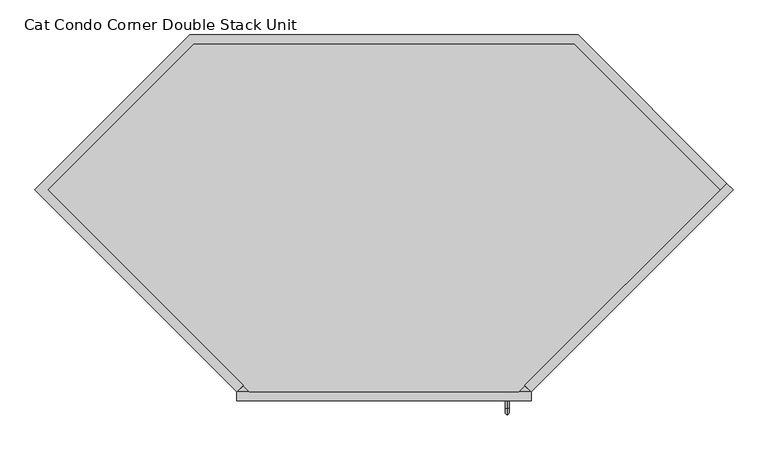
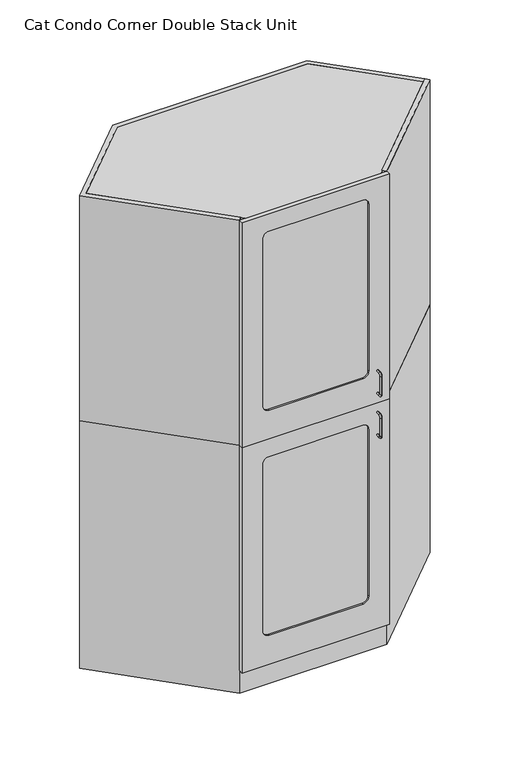
"""IFC4 building model written with IfcOpenShell, lengths in millimetres: proxy geometry, Cat Condo Corner Double Stack Unit."""

from ifc_helpers import new_model, si_unit, point, frame, frame_2d, origin, origin_with_axes, place, context, project, spatial, polyline, circle_curve, ellipse_curve, trimmed, segment, composite_curve, outline, extrude, faceted_brep, source, transform, mapped, element, save
from ifc_brep_helpers import plane_surface, cylinder_surface, revolved_surface, advanced_brep


def cat_condo_corner_double_stack_unit_b9859ac3(model_context):
    return source(origin(), model_context, "Body", "SolidModel", [
        advanced_brep(
        [(567.1128423, -19.05, 1256.5493154), (567.1128423, -19.05, 1264.4006846), (567.1128423, -35.2117768, 1256.5493154), (567.1128423, -35.2117768, 1264.4006846), (567.1128423, -48.3756846, 1251.2367768), (567.1128423, -40.5243154, 1251.2367768), (567.1128423, -40.5243154, 1168.1132232), (567.1128423, -48.3756846, 1168.1132232), (567.1128423, -35.2117768, 1154.9493154), (567.1128423, -35.2117768, 1162.8006846), (567.1128423, -19.05, 1162.8006846), (567.1128423, -19.05, 1154.9493154)],
        [
            (0, 1, circle_curve(frame((567.1128423, -19.05, 1260.475), z_axis=(0.0, 1.0, 0.0), x_axis=(0.0, 0.0, 1.0)), 3.9256846)),
            (1, 0, circle_curve(frame((567.1128423, -19.05, 1260.475), z_axis=(0.0, 1.0, 0.0), x_axis=(0.0, 0.0, 1.0)), 3.9256846)),
            (0, 2),
            (2, 3, circle_curve(frame((567.1128423, -35.2117768, 1260.475), z_axis=(0.0, 1.0, 0.0), x_axis=(0.0, 0.0, 1.0)), 3.9256846)),
            (3, 1),
            (3, 2, circle_curve(frame((567.1128423, -35.2117768, 1260.475), z_axis=(0.0, 1.0, 0.0), x_axis=(0.0, 0.0, 1.0)), 3.9256846)),
            (4, 3, circle_curve(frame((567.1128423, -35.2117768, 1251.2367768), z_axis=(-1.0, 0.0, 0.0), x_axis=(0.0, 0.0, 1.0)), 13.1639078)),
            (2, 5, circle_curve(frame((567.1128423, -35.2117768, 1251.2367768), z_axis=(1.0, 0.0, 0.0), x_axis=(0.0, 0.0, 1.0)), 5.3125387)),
            (5, 4, circle_curve(frame((567.1128423, -44.45, 1251.2367768), z_axis=(0.0, 0.0, 1.0), x_axis=(0.0, -1.0, 0.0)), 3.9256846)),
            (4, 5, circle_curve(frame((567.1128423, -44.45, 1251.2367768), z_axis=(0.0, 0.0, 1.0), x_axis=(0.0, -1.0, 0.0)), 3.9256846)),
            (5, 6),
            (6, 7, circle_curve(frame((567.1128423, -44.45, 1168.1132232), z_axis=(0.0, 0.0, 1.0), x_axis=(0.0, -1.0, 0.0)), 3.9256846)),
            (7, 4),
            (7, 6, circle_curve(frame((567.1128423, -44.45, 1168.1132232), z_axis=(0.0, 0.0, 1.0), x_axis=(0.0, -1.0, 0.0)), 3.9256846)),
            (8, 7, circle_curve(frame((567.1128423, -35.2117768, 1168.1132232), z_axis=(-1.0, 0.0, 0.0), x_axis=(0.0, -1.0, 0.0)), 13.1639078)),
            (6, 9, circle_curve(frame((567.1128423, -35.2117768, 1168.1132232), z_axis=(1.0, 0.0, 0.0), x_axis=(0.0, -1.0, 0.0)), 5.3125387)),
            (9, 8, circle_curve(frame((567.1128423, -35.2117768, 1158.875), z_axis=(0.0, -1.0, 0.0), x_axis=(0.0, 0.0, -1.0)), 3.9256846)),
            (8, 9, circle_curve(frame((567.1128423, -35.2117768, 1158.875), z_axis=(0.0, -1.0, 0.0), x_axis=(0.0, 0.0, -1.0)), 3.9256846)),
            (10, 11, circle_curve(frame((567.1128423, -19.05, 1158.875), z_axis=(0.0, 1.0, 0.0), x_axis=(0.0, 0.0, -1.0)), 3.9256846)),
            (11, 10, circle_curve(frame((567.1128423, -19.05, 1158.875), z_axis=(0.0, 1.0, 0.0), x_axis=(0.0, 0.0, -1.0)), 3.9256846)),
            (9, 10),
            (11, 8),
        ],
        [
            plane_surface(frame((567.1128423, -19.05, 1260.475), z_axis=(0.0, 1.0, 0.0), x_axis=(1.0, 0.0, 0.0))),
            cylinder_surface(frame((567.1128423, -19.05, 1260.475), z_axis=(0.0, 1.0, 0.0), x_axis=(0.0, 0.0, 1.0)), 3.9256846),
            revolved_surface(trimmed(ellipse_curve(frame((567.1128423, -35.2117768, 1260.475), z_axis=(0.0, 1.0, 0.0), x_axis=(0.0, 0.0, 1.0)), 3.9256846, 3.9256846), [point((567.1128423, -35.2117768, 1256.5493154))], [point((567.1128423, -35.2117768, 1264.4006846))], True, "CARTESIAN"), (567.1128423, -35.2117768, 1251.2367768), (1.0, 0.0, 0.0)),
            revolved_surface(trimmed(ellipse_curve(frame((567.1128423, -35.2117768, 1260.475), z_axis=(0.0, 1.0, 0.0), x_axis=(0.0, 0.0, 1.0)), 3.9256846, 3.9256846), [point((567.1128423, -35.2117768, 1264.4006846))], [point((567.1128423, -35.2117768, 1256.5493154))], True, "CARTESIAN"), (567.1128423, -35.2117768, 1251.2367768), (1.0, 0.0, 0.0)),
            cylinder_surface(frame((567.1128423, -44.45, 1251.2367768), z_axis=(0.0, 0.0, 1.0), x_axis=(0.0, -1.0, 0.0)), 3.9256846),
            revolved_surface(trimmed(ellipse_curve(frame((567.1128423, -44.45, 1168.1132232), z_axis=(0.0, 0.0, 1.0), x_axis=(0.0, -1.0, 0.0)), 3.9256846, 3.9256846), [point((567.1128423, -40.5243154, 1168.1132232))], [point((567.1128423, -48.3756846, 1168.1132232))], True, "CARTESIAN"), (567.1128423, -35.2117768, 1168.1132232), (1.0, 0.0, 0.0)),
            revolved_surface(trimmed(ellipse_curve(frame((567.1128423, -44.45, 1168.1132232), z_axis=(0.0, 0.0, 1.0), x_axis=(0.0, -1.0, 0.0)), 3.9256846, 3.9256846), [point((567.1128423, -48.3756846, 1168.1132232))], [point((567.1128423, -40.5243154, 1168.1132232))], True, "CARTESIAN"), (567.1128423, -35.2117768, 1168.1132232), (1.0, 0.0, 0.0)),
            plane_surface(frame((567.1128423, -19.05, 1158.875), z_axis=(0.0, 1.0, 0.0), x_axis=(1.0, 0.0, 0.0))),
            cylinder_surface(frame((567.1128423, -35.2117768, 1158.875), z_axis=(0.0, -1.0, 0.0), x_axis=(0.0, 0.0, -1.0)), 3.9256846),
        ],
        [
            (0, [[1, 2]]),
            (1, [[-1, 3, 4, 5]]),
            (1, [[-2, -5, 6, -3]]),
            (2, [[7, -4, 8, 9]]),
            (3, [[-8, -6, -7, 10]]),
            (4, [[-9, 11, 12, 13]]),
            (4, [[-10, -13, 14, -11]]),
            (5, [[15, -12, 16, 17]]),
            (6, [[-16, -14, -15, 18]]),
            (7, [[19, 20]]),
            (8, [[-17, 21, -20, 22]]),
            (8, [[-18, -22, -19, -21]]),
        ],
    ),
        extrude(outline(polyline([(1035.8671158, 444.522678), (1049.3375, 431.0522938), (618.2852062, 0.0), (604.814822, 13.4703842), (1035.8671158, 444.522678)])), frame((0.0, 0.0, 1114.425), z_axis=(0.0, 0.0, 1.0), x_axis=(1.0, 0.0, 0.0)), (0.0, 0.0, 1.0), 1012.825),
        extrude(outline(polyline([(-110.3772938, 762.0), (718.3897938, 762.0), (1035.8671158, 444.522678), (1022.3967316, 431.0522938), (710.4990254, 742.95), (-102.4865254, 742.95), (-414.3842316, 431.0522938), (3.197678, 13.4703842), (-10.2727062, 0.0), (-441.325, 431.0522938), (-110.3772938, 762.0)])), frame((0.0, 0.0, 1114.425), z_axis=(0.0, 0.0, 1.0), x_axis=(1.0, 0.0, 0.0)), (0.0, 0.0, 1.0), 1012.825),
        extrude(outline(polyline([(1022.3967316, 431.0522938), (591.3444378, 0.0), (16.6680622, 0.0), (-414.3842316, 431.0522938), (-102.4865254, 742.95), (710.4990254, 742.95), (1022.3967316, 431.0522938)])), frame((0.0, 0.0, 2108.2), z_axis=(0.0, 0.0, 1.0), x_axis=(1.0, 0.0, 0.0)), (0.0, 0.0, 1.0), 19.05),
        extrude(outline(polyline([(-102.4865254, 742.95), (710.4990254, 742.95), (1022.3967316, 431.0522938), (610.3944378, 19.05), (-2.3819378, 19.05), (-414.3842316, 431.0522938), (-102.4865254, 742.95)])), frame((0.0, 0.0, 1114.425), z_axis=(0.0, 0.0, 1.0), x_axis=(1.0, 0.0, 0.0)), (0.0, 0.0, 1.0), 19.05),
        extrude(outline(composite_curve([segment(polyline([(2047.875, 504.03125), (2047.875, 103.98125)]), True, "CONTINUOUS"), segment(trimmed(circle_curve(frame_2d((2022.475, 103.98125)), 25.4), [point((2047.875, 103.98125))], [point((2022.475, 78.58125))], False, "CARTESIAN"), True, "CONTINUOUS"), segment(polyline([(2022.475, 78.58125), (1270.0, 78.58125)]), True, "CONTINUOUS"), segment(trimmed(circle_curve(frame_2d((1270.0, 103.98125)), 25.4), [point((1270.0, 78.58125))], [point((1244.6, 103.98125))], False, "CARTESIAN"), True, "CONTINUOUS"), segment(polyline([(1244.6, 103.98125), (1244.6, 504.03125)]), True, "CONTINUOUS"), segment(trimmed(circle_curve(frame_2d((1270.0, 504.03125)), 25.4), [point((1244.6, 504.03125))], [point((1270.0, 529.43125))], False, "CARTESIAN"), True, "CONTINUOUS"), segment(polyline([(1270.0, 529.43125), (2022.475, 529.43125)]), True, "CONTINUOUS"), segment(trimmed(circle_curve(frame_2d((2022.475, 504.03125)), 25.4), [point((2022.475, 529.43125))], [point((2047.875, 504.03125))], False, "CARTESIAN"), True, "CONTINUOUS")], self_intersect=False)), frame((0.0, -12.7, 0.0), z_axis=(0.0, 1.0, 0.0), x_axis=(0.0, 0.0, 1.0)), (0.0, 0.0, 1.0), 6.35),
        extrude(outline(polyline([(2127.25, 618.2852062), (2127.25, -10.2727062), (1114.425, -10.2727062), (1114.425, 618.2852062), (2127.25, 618.2852062)]), holes=[composite_curve([segment(polyline([(2047.875, 103.98125), (2047.875, 504.03125)]), True, "CONTINUOUS"), segment(trimmed(circle_curve(frame_2d((2022.475, 504.03125)), 25.4), [point((2047.875, 504.03125))], [point((2022.475, 529.43125))], True, "CARTESIAN"), True, "CONTINUOUS"), segment(polyline([(2022.475, 529.43125), (1270.0, 529.43125)]), True, "CONTINUOUS"), segment(trimmed(circle_curve(frame_2d((1270.0, 504.03125)), 25.4), [point((1270.0, 529.43125))], [point((1244.6, 504.03125))], True, "CARTESIAN"), True, "CONTINUOUS"), segment(polyline([(1244.6, 504.03125), (1244.6, 103.98125)]), True, "CONTINUOUS"), segment(trimmed(circle_curve(frame_2d((1270.0, 103.98125)), 25.4), [point((1244.6, 103.98125))], [point((1270.0, 78.58125))], True, "CARTESIAN"), True, "CONTINUOUS"), segment(polyline([(1270.0, 78.58125), (2022.475, 78.58125)]), True, "CONTINUOUS"), segment(trimmed(circle_curve(frame_2d((2022.475, 103.98125)), 25.4), [point((2022.475, 78.58125))], [point((2047.875, 103.98125))], True, "CARTESIAN"), True, "CONTINUOUS")], self_intersect=False)]), frame((0.0, -19.05, 0.0), z_axis=(0.0, 1.0, 0.0), x_axis=(0.0, 0.0, 1.0)), (0.0, 0.0, 1.0), 19.05),
        advanced_brep(
        [(567.1128423, -19.05, 1069.2243154), (567.1128423, -19.05, 1077.0756846), (567.1128423, -35.2117768, 1069.2243154), (567.1128423, -35.2117768, 1077.0756846), (567.1128423, -48.3756846, 1063.9117768), (567.1128423, -40.5243154, 1063.9117768), (567.1128423, -40.5243154, 980.7882232), (567.1128423, -48.3756846, 980.7882232), (567.1128423, -35.2117768, 967.6243154), (567.1128423, -35.2117768, 975.4756846), (567.1128423, -19.05, 975.4756846), (567.1128423, -19.05, 967.6243154)],
        [
            (0, 1, circle_curve(frame((567.1128423, -19.05, 1073.15), z_axis=(0.0, 1.0, 0.0), x_axis=(0.0, 0.0, 1.0)), 3.9256846)),
            (1, 0, circle_curve(frame((567.1128423, -19.05, 1073.15), z_axis=(0.0, 1.0, 0.0), x_axis=(0.0, 0.0, 1.0)), 3.9256846)),
            (0, 2),
            (2, 3, circle_curve(frame((567.1128423, -35.2117768, 1073.15), z_axis=(0.0, 1.0, 0.0), x_axis=(0.0, 0.0, 1.0)), 3.9256846)),
            (3, 1),
            (3, 2, circle_curve(frame((567.1128423, -35.2117768, 1073.15), z_axis=(0.0, 1.0, 0.0), x_axis=(0.0, 0.0, 1.0)), 3.9256846)),
            (4, 3, circle_curve(frame((567.1128423, -35.2117768, 1063.9117768), z_axis=(-1.0, 0.0, 0.0), x_axis=(0.0, 0.0, 1.0)), 13.1639078)),
            (2, 5, circle_curve(frame((567.1128423, -35.2117768, 1063.9117768), z_axis=(1.0, 0.0, 0.0), x_axis=(0.0, 0.0, 1.0)), 5.3125387)),
            (5, 4, circle_curve(frame((567.1128423, -44.45, 1063.9117768), z_axis=(0.0, 0.0, 1.0), x_axis=(0.0, -1.0, 0.0)), 3.9256846)),
            (4, 5, circle_curve(frame((567.1128423, -44.45, 1063.9117768), z_axis=(0.0, 0.0, 1.0), x_axis=(0.0, -1.0, 0.0)), 3.9256846)),
            (5, 6),
            (6, 7, circle_curve(frame((567.1128423, -44.45, 980.7882232), z_axis=(0.0, 0.0, 1.0), x_axis=(0.0, -1.0, 0.0)), 3.9256846)),
            (7, 4),
            (7, 6, circle_curve(frame((567.1128423, -44.45, 980.7882232), z_axis=(0.0, 0.0, 1.0), x_axis=(0.0, -1.0, 0.0)), 3.9256846)),
            (8, 7, circle_curve(frame((567.1128423, -35.2117768, 980.7882232), z_axis=(-1.0, 0.0, 0.0), x_axis=(0.0, -1.0, 0.0)), 13.1639078)),
            (6, 9, circle_curve(frame((567.1128423, -35.2117768, 980.7882232), z_axis=(1.0, 0.0, 0.0), x_axis=(0.0, -1.0, 0.0)), 5.3125387)),
            (9, 8, circle_curve(frame((567.1128423, -35.2117768, 971.55), z_axis=(0.0, -1.0, 0.0), x_axis=(0.0, 0.0, -1.0)), 3.9256846)),
            (8, 9, circle_curve(frame((567.1128423, -35.2117768, 971.55), z_axis=(0.0, -1.0, 0.0), x_axis=(0.0, 0.0, -1.0)), 3.9256846)),
            (10, 11, circle_curve(frame((567.1128423, -19.05, 971.55), z_axis=(0.0, 1.0, 0.0), x_axis=(0.0, 0.0, -1.0)), 3.9256846)),
            (11, 10, circle_curve(frame((567.1128423, -19.05, 971.55), z_axis=(0.0, 1.0, 0.0), x_axis=(0.0, 0.0, -1.0)), 3.9256846)),
            (9, 10),
            (11, 8),
        ],
        [
            plane_surface(frame((567.1128423, -19.05, 1073.15), z_axis=(0.0, 1.0, 0.0), x_axis=(1.0, 0.0, 0.0))),
            cylinder_surface(frame((567.1128423, -19.05, 1073.15), z_axis=(0.0, 1.0, 0.0), x_axis=(0.0, 0.0, 1.0)), 3.9256846),
            revolved_surface(trimmed(ellipse_curve(frame((567.1128423, -35.2117768, 1073.15), z_axis=(0.0, 1.0, 0.0), x_axis=(0.0, 0.0, 1.0)), 3.9256846, 3.9256846), [point((567.1128423, -35.2117768, 1069.2243154))], [point((567.1128423, -35.2117768, 1077.0756846))], True, "CARTESIAN"), (567.1128423, -35.2117768, 1063.9117768), (1.0, 0.0, 0.0)),
            revolved_surface(trimmed(ellipse_curve(frame((567.1128423, -35.2117768, 1073.15), z_axis=(0.0, 1.0, 0.0), x_axis=(0.0, 0.0, 1.0)), 3.9256846, 3.9256846), [point((567.1128423, -35.2117768, 1077.0756846))], [point((567.1128423, -35.2117768, 1069.2243154))], True, "CARTESIAN"), (567.1128423, -35.2117768, 1063.9117768), (1.0, 0.0, 0.0)),
            cylinder_surface(frame((567.1128423, -44.45, 1063.9117768), z_axis=(0.0, 0.0, 1.0), x_axis=(0.0, -1.0, 0.0)), 3.9256846),
            revolved_surface(trimmed(ellipse_curve(frame((567.1128423, -44.45, 980.7882232), z_axis=(0.0, 0.0, 1.0), x_axis=(0.0, -1.0, 0.0)), 3.9256846, 3.9256846), [point((567.1128423, -40.5243154, 980.7882232))], [point((567.1128423, -48.3756846, 980.7882232))], True, "CARTESIAN"), (567.1128423, -35.2117768, 980.7882232), (1.0, 0.0, 0.0)),
            revolved_surface(trimmed(ellipse_curve(frame((567.1128423, -44.45, 980.7882232), z_axis=(0.0, 0.0, 1.0), x_axis=(0.0, -1.0, 0.0)), 3.9256846, 3.9256846), [point((567.1128423, -48.3756846, 980.7882232))], [point((567.1128423, -40.5243154, 980.7882232))], True, "CARTESIAN"), (567.1128423, -35.2117768, 980.7882232), (1.0, 0.0, 0.0)),
            plane_surface(frame((567.1128423, -19.05, 971.55), z_axis=(0.0, 1.0, 0.0), x_axis=(1.0, 0.0, 0.0))),
            cylinder_surface(frame((567.1128423, -35.2117768, 971.55), z_axis=(0.0, -1.0, 0.0), x_axis=(0.0, 0.0, -1.0)), 3.9256846),
        ],
        [
            (0, [[1, 2]]),
            (1, [[-1, 3, 4, 5]]),
            (1, [[-2, -5, 6, -3]]),
            (2, [[7, -4, 8, 9]]),
            (3, [[-8, -6, -7, 10]]),
            (4, [[-9, 11, 12, 13]]),
            (4, [[-10, -13, 14, -11]]),
            (5, [[15, -12, 16, 17]]),
            (6, [[-16, -14, -15, 18]]),
            (7, [[19, 20]]),
            (8, [[-17, 21, -20, 22]]),
            (8, [[-18, -22, -19, -21]]),
        ],
    ),
        extrude(outline(polyline([(1035.8671158, 444.522678), (1049.3375, 431.0522938), (618.2852062, 0.0), (604.814822, 13.4703842), (1035.8671158, 444.522678)])), origin_with_axes(), (0.0, 0.0, 1.0), 1114.425),
        faceted_brep([(718.3897938, 762.0, 1114.425), (-110.3772938, 762.0, 1114.425), (-441.325, 431.0522938, 1114.425), (-10.2727062, 0.0, 1114.425), (3.197678, 13.4703842, 1114.425), (-414.3842316, 431.0522938, 1114.425), (-102.4865254, 742.95, 1114.425), (710.4990254, 742.95, 1114.425), (1022.3967316, 431.0522938, 1114.425), (1035.8671158, 444.522678, 1114.425), (-110.3772938, 762.0, 0.0), (718.3897938, 762.0, 0.0), (1035.8671158, 444.522678, 0.0), (1022.3967316, 431.0522938, 0.0), (710.4990254, 742.95, 0.0), (-102.4865254, 742.95, 0.0), (-414.3842316, 431.0522938, 0.0), (-2.3819378, 19.05, 0.0), (618.2852062, 19.05, 0.0), (618.2852062, 0.0, 0.0), (-10.2727062, 0.0, 0.0), (-441.325, 431.0522938, 0.0), (-10.2727062, 0.0, 101.6), (3.197678, 13.4703842, 101.6), (-2.3819378, 19.05, 101.6), (618.2852062, 0.0, 101.6), (618.2852062, 19.05, 101.6)], [[[0, 1, 2, 3, 4, 5, 6, 7, 8, 9]], [[10, 11, 12, 13, 14, 15, 16, 17, 18, 19, 20, 21]], [[1, 0, 11, 10]], [[6, 15, 14, 7]], [[6, 5, 16, 15]], [[1, 10, 21, 2]], [[9, 8, 13, 12]], [[13, 8, 7, 14]], [[0, 9, 12, 11]], [[3, 2, 21, 20, 22]], [[4, 3, 22, 23]], [[5, 4, 23, 24, 17, 16]], [[22, 25, 26, 24, 23]], [[26, 18, 17, 24]], [[25, 22, 20, 19]], [[26, 25, 19, 18]]]),
        extrude(outline(polyline([(1022.3967316, 431.0522938), (591.3444378, 0.0), (16.6680622, 0.0), (-414.3842316, 431.0522938), (-102.4865254, 742.95), (710.4990254, 742.95), (1022.3967316, 431.0522938)])), frame((0.0, 0.0, 1095.375), z_axis=(0.0, 0.0, 1.0), x_axis=(1.0, 0.0, 0.0)), (0.0, 0.0, 1.0), 19.05),
        extrude(outline(polyline([(-102.4865254, 742.95), (710.4990254, 742.95), (1022.3967316, 431.0522938), (610.3944378, 19.05), (-2.3819378, 19.05), (-414.3842316, 431.0522938), (-102.4865254, 742.95)])), frame((0.0, 0.0, 101.6), z_axis=(0.0, 0.0, 1.0), x_axis=(1.0, 0.0, 0.0)), (0.0, 0.0, 1.0), 19.05),
        extrude(outline(composite_curve([segment(polyline([(1035.05, 504.03125), (1035.05, 103.98125)]), True, "CONTINUOUS"), segment(trimmed(circle_curve(frame_2d((1009.65, 103.98125)), 25.4), [point((1035.05, 103.98125))], [point((1009.65, 78.58125))], False, "CARTESIAN"), True, "CONTINUOUS"), segment(polyline([(1009.65, 78.58125), (257.175, 78.58125)]), True, "CONTINUOUS"), segment(trimmed(circle_curve(frame_2d((257.175, 103.98125)), 25.4), [point((257.175, 78.58125))], [point((231.775, 103.98125))], False, "CARTESIAN"), True, "CONTINUOUS"), segment(polyline([(231.775, 103.98125), (231.775, 504.03125)]), True, "CONTINUOUS"), segment(trimmed(circle_curve(frame_2d((257.175, 504.03125)), 25.4), [point((231.775, 504.03125))], [point((257.175, 529.43125))], False, "CARTESIAN"), True, "CONTINUOUS"), segment(polyline([(257.175, 529.43125), (1009.65, 529.43125)]), True, "CONTINUOUS"), segment(trimmed(circle_curve(frame_2d((1009.65, 504.03125)), 25.4), [point((1009.65, 529.43125))], [point((1035.05, 504.03125))], False, "CARTESIAN"), True, "CONTINUOUS")], self_intersect=False)), frame((0.0, -12.7, 0.0), z_axis=(0.0, 1.0, 0.0), x_axis=(0.0, 0.0, 1.0)), (0.0, 0.0, 1.0), 6.35),
        extrude(outline(polyline([(1114.425, 618.2852062), (1114.425, -10.2727062), (101.6, -10.2727062), (101.6, 618.2852062), (1114.425, 618.2852062)]), holes=[composite_curve([segment(polyline([(1035.05, 103.98125), (1035.05, 504.03125)]), True, "CONTINUOUS"), segment(trimmed(circle_curve(frame_2d((1009.65, 504.03125)), 25.4), [point((1035.05, 504.03125))], [point((1009.65, 529.43125))], True, "CARTESIAN"), True, "CONTINUOUS"), segment(polyline([(1009.65, 529.43125), (257.175, 529.43125)]), True, "CONTINUOUS"), segment(trimmed(circle_curve(frame_2d((257.175, 504.03125)), 25.4), [point((257.175, 529.43125))], [point((231.775, 504.03125))], True, "CARTESIAN"), True, "CONTINUOUS"), segment(polyline([(231.775, 504.03125), (231.775, 103.98125)]), True, "CONTINUOUS"), segment(trimmed(circle_curve(frame_2d((257.175, 103.98125)), 25.4), [point((231.775, 103.98125))], [point((257.175, 78.58125))], True, "CARTESIAN"), True, "CONTINUOUS"), segment(polyline([(257.175, 78.58125), (1009.65, 78.58125)]), True, "CONTINUOUS"), segment(trimmed(circle_curve(frame_2d((1009.65, 103.98125)), 25.4), [point((1009.65, 78.58125))], [point((1035.05, 103.98125))], True, "CARTESIAN"), True, "CONTINUOUS")], self_intersect=False)]), frame((0.0, -19.05, 0.0), z_axis=(0.0, 1.0, 0.0), x_axis=(0.0, 0.0, 1.0)), (0.0, 0.0, 1.0), 19.05),
    ])


if __name__ == "__main__":
    model = new_model("IFC4")
    model_context = context("Model", 3, world=origin())
    ifc_project = project(units=[si_unit("LENGTHUNIT", "METRE", prefix="MILLI")], contexts=[model_context])
    site = spatial("IfcSite", under=ifc_project)
    building = spatial("IfcBuilding", under=site)
    placement = place(None, origin())
    cat_condo_corner_double_stack_unit_shape = cat_condo_corner_double_stack_unit_b9859ac3(model_context)
    element("IfcBuildingElementProxy", 1, Name="Cat Condo Corner Double Stack Unit", ObjectType="Cat Condo Corner Double Stack Unit", at=placement, inside=building, context=model_context, shape_type="MappedRepresentation", body=[
        mapped(cat_condo_corner_double_stack_unit_shape, transform((0.0, 0.0, 0.0), x_axis=(1.0, 0.0, 0.0), y_axis=(0.0, 1.0, 0.0), z_axis=(0.0, 0.0, 1.0))),
    ])
    save(model, "model.ifc")
